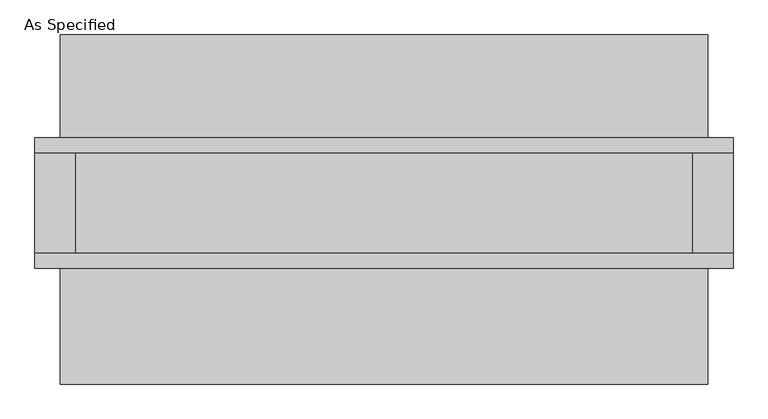
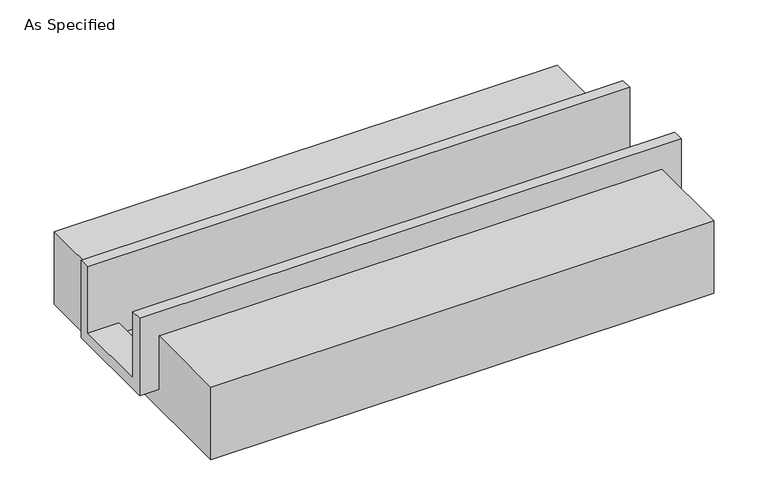
"""IFC4 building model written with IfcOpenShell, lengths in millimetres: proxy geometry, As Specified."""

from ifc_helpers import new_model, si_unit, frame, origin, place, context, project, spatial, polyline, outline, extrude, faceted_brep, source, transform, mapped, element, save


def as_specified_cabdd04f(model_context):
    return source(origin(), model_context, "Body", "SolidModel", [
        faceted_brep([(-1765.3, 285.75, 139.7), (-1765.3, 361.95, 139.7), (-1765.3, 361.95, -393.7), (-1765.3, -298.45, -393.7), (-1765.3, -298.45, 139.7), (-1765.3, -222.25, 139.7), (-1765.3, -222.25, -317.5), (-1765.3, 285.75, -317.5), (1765.3, 285.75, 139.7), (1765.3, 285.75, -317.5), (1765.3, -222.25, -317.5), (1765.3, -222.25, 139.7), (1765.3, -298.45, 139.7), (1765.3, -298.45, -393.7), (1765.3, 361.95, -393.7), (1765.3, 361.95, 139.7), (1562.1, -222.25, -393.7), (1562.1, 285.75, -393.7), (-1562.1, 285.75, -393.7), (-1562.1, -222.25, -393.7), (1562.1, -222.25, -317.5), (-1562.1, -222.25, -317.5), (-1562.1, 285.75, -317.5), (1562.1, 285.75, -317.5)], [[[0, 1, 2, 3, 4, 5, 6, 7]], [[8, 9, 10, 11, 12, 13, 14, 15]], [[1, 0, 8, 15]], [[2, 1, 15, 14]], [[3, 2, 14, 13], [16, 17, 18, 19]], [[4, 3, 13, 12]], [[5, 4, 12, 11]], [[6, 5, 11, 10, 20, 16, 19, 21]], [[7, 6, 21, 22]], [[10, 9, 23, 20]], [[0, 7, 22, 18, 17, 23, 9, 8]], [[16, 20, 23, 17]], [[21, 19, 18, 22]]]),
        extrude(outline(polyline([(882.65, -25.4), (882.65, -523.9742188), (-882.65, -523.9742188), (-882.65, -25.4), (-298.45, -25.4), (-298.45, -393.7), (361.95, -393.7), (361.95, -25.4), (882.65, -25.4)])), frame((-1638.3, 0.0, 0.0), z_axis=(1.0, 0.0, 0.0), x_axis=(0.0, 1.0, 0.0)), (0.0, 0.0, 1.0), 3276.6),
    ])


if __name__ == "__main__":
    model = new_model("IFC4")
    model_context = context("Model", 3, world=origin())
    ifc_project = project(units=[si_unit("LENGTHUNIT", "METRE", prefix="MILLI")], contexts=[model_context])
    site = spatial("IfcSite", under=ifc_project)
    building = spatial("IfcBuilding", under=site)
    placement = place(None, origin())
    as_specified_shape = as_specified_cabdd04f(model_context)
    element("IfcBuildingElementProxy", 1, Name="As Specified", ObjectType="As Specified", at=placement, inside=building, context=model_context, shape_type="MappedRepresentation", body=[
        mapped(as_specified_shape, transform((0.0, 0.0, 0.0), x_axis=(1.0, 0.0, 0.0), y_axis=(0.0, 1.0, 0.0), z_axis=(0.0, 0.0, 1.0))),
    ])
    save(model, "model.ifc")
